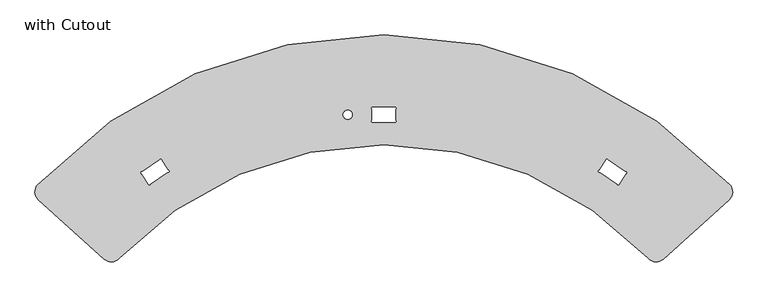
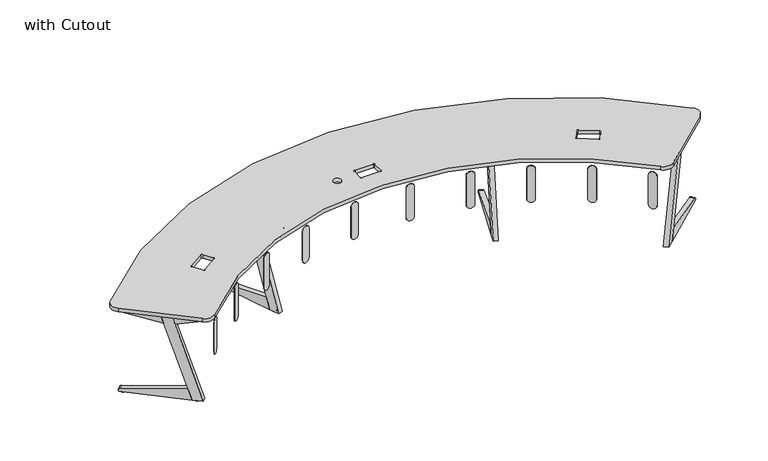
"""IFC4 building model written with IfcOpenShell, lengths in millimetres: furniture geometry, with Cutout."""

from ifc_helpers import new_model, si_unit, point, frame, frame_2d, origin, place, context, project, spatial, polyline, circle_curve, ellipse_curve, trimmed, segment, composite_curve, outline, extrude, source, transform, mapped, element, save
from ifc_brep_helpers import plane_surface, cylinder_surface, revolved_surface, advanced_brep


def with_cutout_aac19098(model_context):
    return source(origin(), model_context, "Body", "SolidModel", [
        extrude(outline(composite_curve([segment(polyline([(0.0, 63.5001021), (253.8508137, 63.5001021)]), True, "CONTINUOUS"), segment(trimmed(circle_curve(frame_2d((253.8508137, 31.750051)), 31.7500511), [point((253.8508137, 63.5001021))], [point((253.8508137, 0.0))], False, "CARTESIAN"), True, "CONTINUOUS"), segment(polyline([(253.8508137, 0.0), (0.0, 0.0)]), True, "CONTINUOUS"), segment(trimmed(circle_curve(frame_2d((0.0, 31.750051)), 31.7500511), [point((0.0, 0.0))], [point((0.0, 63.5001021))], False, "CARTESIAN"), True, "CONTINUOUS")], self_intersect=False)), frame((-258.9228453, -765.6330585, 399.2581955), z_axis=(-0.09624611509889833, 0.9953575665701093, 0.0), x_axis=(0.0, 0.0, 1.0)), (0.0, 0.0, 1.0), 2.8443472),
        extrude(outline(composite_curve([segment(polyline([(0.0, 63.5001021), (253.8508137, 63.5001021)]), True, "CONTINUOUS"), segment(trimmed(circle_curve(frame_2d((253.8508137, 31.750051)), 31.7500511), [point((253.8508137, 63.5001021))], [point((253.8508137, 0.0))], False, "CARTESIAN"), True, "CONTINUOUS"), segment(polyline([(253.8508137, 0.0), (0.0, 0.0)]), True, "CONTINUOUS"), segment(trimmed(circle_curve(frame_2d((0.0, 31.750051)), 31.7500511), [point((0.0, 0.0))], [point((0.0, 63.5001021))], False, "CARTESIAN"), True, "CONTINUOUS")], self_intersect=False)), frame((-703.3782644, -852.0656415, 399.2581955), z_axis=(-0.27282732829228007, 0.9620630171339591, 0.0), x_axis=(0.0, 0.0, 1.0)), (0.0, 0.0, 1.0), 2.8443472),
        extrude(outline(composite_curve([segment(polyline([(0.0, 63.5001021), (253.8508137, 63.5001021)]), True, "CONTINUOUS"), segment(trimmed(circle_curve(frame_2d((253.8508137, 31.7500511)), 31.7500511), [point((253.8508137, 63.5001021))], [point((253.8508137, 0.0))], False, "CARTESIAN"), True, "CONTINUOUS"), segment(polyline([(253.8508137, 0.0), (0.0, 0.0)]), True, "CONTINUOUS"), segment(trimmed(circle_curve(frame_2d((0.0, 31.7500511)), 31.7500511), [point((0.0, 0.0))], [point((0.0, 63.5001021))], False, "CARTESIAN"), True, "CONTINUOUS")], self_intersect=False)), frame((-1108.2540482, -1008.3670307, 399.2581955), z_axis=(-0.4335760728850068, 0.9011169674474093, 0.0), x_axis=(0.0, 0.0, 1.0)), (0.0, 0.0, 1.0), 2.8443472),
        extrude(outline(composite_curve([segment(polyline([(0.0, 63.5001022), (253.8508137, 63.5001022)]), True, "CONTINUOUS"), segment(trimmed(circle_curve(frame_2d((253.8508137, 31.7500511)), 31.7500511), [point((253.8508137, 63.5001022))], [point((253.8508137, 0.0))], False, "CARTESIAN"), True, "CONTINUOUS"), segment(polyline([(253.8508137, 0.0), (0.0, 0.0)]), True, "CONTINUOUS"), segment(trimmed(circle_curve(frame_2d((0.0, 31.7500511)), 31.7500511), [point((0.0, 0.0))], [point((0.0, 63.5001022))], False, "CARTESIAN"), True, "CONTINUOUS")], self_intersect=False)), frame((-1480.5374152, -1231.8220656, 399.2581955), z_axis=(-0.5815749360269656, 0.813492835730734, 0.0), x_axis=(0.0, 0.0, 1.0)), (0.0, 0.0, 1.0), 2.8443472),
        extrude(outline(composite_curve([segment(polyline([(0.0, 63.5001021), (253.8508137, 63.5001021)]), True, "CONTINUOUS"), segment(trimmed(circle_curve(frame_2d((253.8508137, 31.750051)), 31.7500511), [point((253.8508137, 63.5001021))], [point((253.8508137, 0.0))], False, "CARTESIAN"), True, "CONTINUOUS"), segment(polyline([(253.8508137, 0.0), (0.0, 0.0)]), True, "CONTINUOUS"), segment(trimmed(circle_curve(frame_2d((0.0, 31.750051)), 31.7500511), [point((0.0, 0.0))], [point((0.0, 63.5001021))], False, "CARTESIAN"), True, "CONTINUOUS")], self_intersect=False)), frame((-1808.9544749, -1515.6935441, 399.2581955), z_axis=(-0.7123421259189597, 0.7018323842921877, 0.0), x_axis=(0.0, 0.0, 1.0)), (0.0, 0.0, 1.0), 2.8443472),
        extrude(outline(composite_curve([segment(trimmed(circle_curve(frame_2d((0.0, -31.750051)), 31.7500511), [point((0.0, -63.5001021))], [point((0.0, 0.0))], False, "CARTESIAN"), True, "CONTINUOUS"), segment(polyline([(0.0, 0.0), (253.8508137, 0.0)]), True, "CONTINUOUS"), segment(trimmed(circle_curve(frame_2d((253.8508137, -31.750051)), 31.7500511), [point((253.8508137, 0.0))], [point((253.8508137, -63.5001021))], False, "CARTESIAN"), True, "CONTINUOUS"), segment(polyline([(253.8508137, -63.5001021), (0.0, -63.5001021)]), True, "CONTINUOUS")], self_intersect=False)), frame((258.9228453, -765.6330585, 399.2581955), z_axis=(0.09624611509889833, 0.9953575665701093, 0.0), x_axis=(0.0, 0.0, 1.0)), (0.0, 0.0, 1.0), 2.8443472),
        extrude(outline(composite_curve([segment(trimmed(circle_curve(frame_2d((0.0, -31.750051)), 31.7500511), [point((0.0, -63.5001021))], [point((0.0, 0.0))], False, "CARTESIAN"), True, "CONTINUOUS"), segment(polyline([(0.0, 0.0), (253.8508137, 0.0)]), True, "CONTINUOUS"), segment(trimmed(circle_curve(frame_2d((253.8508137, -31.750051)), 31.7500511), [point((253.8508137, 0.0))], [point((253.8508137, -63.5001021))], False, "CARTESIAN"), True, "CONTINUOUS"), segment(polyline([(253.8508137, -63.5001021), (0.0, -63.5001021)]), True, "CONTINUOUS")], self_intersect=False)), frame((703.3782644, -852.0656415, 399.2581955), z_axis=(0.27282732829228007, 0.9620630171339591, 0.0), x_axis=(0.0, 0.0, 1.0)), (0.0, 0.0, 1.0), 2.8443472),
        extrude(outline(composite_curve([segment(trimmed(circle_curve(frame_2d((0.0, -31.7500511)), 31.7500511), [point((0.0, -63.5001021))], [point((0.0, 0.0))], False, "CARTESIAN"), True, "CONTINUOUS"), segment(polyline([(0.0, 0.0), (253.8508137, 0.0)]), True, "CONTINUOUS"), segment(trimmed(circle_curve(frame_2d((253.8508137, -31.7500511)), 31.7500511), [point((253.8508137, 0.0))], [point((253.8508137, -63.5001021))], False, "CARTESIAN"), True, "CONTINUOUS"), segment(polyline([(253.8508137, -63.5001021), (0.0, -63.5001021)]), True, "CONTINUOUS")], self_intersect=False)), frame((1108.2540482, -1008.3670307, 399.2581955), z_axis=(0.4335760728850068, 0.9011169674474093, 0.0), x_axis=(0.0, 0.0, 1.0)), (0.0, 0.0, 1.0), 2.8443472),
        extrude(outline(composite_curve([segment(trimmed(circle_curve(frame_2d((0.0, -31.7500511)), 31.7500511), [point((0.0, -63.5001022))], [point((0.0, 0.0))], False, "CARTESIAN"), True, "CONTINUOUS"), segment(polyline([(0.0, 0.0), (253.8508137, 0.0)]), True, "CONTINUOUS"), segment(trimmed(circle_curve(frame_2d((253.8508137, -31.7500511)), 31.7500511), [point((253.8508137, 0.0))], [point((253.8508137, -63.5001022))], False, "CARTESIAN"), True, "CONTINUOUS"), segment(polyline([(253.8508137, -63.5001022), (0.0, -63.5001022)]), True, "CONTINUOUS")], self_intersect=False)), frame((1480.5374152, -1231.8220656, 399.2581955), z_axis=(0.5815749360269656, 0.813492835730734, 0.0), x_axis=(0.0, 0.0, 1.0)), (0.0, 0.0, 1.0), 2.8443472),
        extrude(outline(composite_curve([segment(trimmed(circle_curve(frame_2d((0.0, -31.750051)), 31.7500511), [point((0.0, -63.5001021))], [point((0.0, 0.0))], False, "CARTESIAN"), True, "CONTINUOUS"), segment(polyline([(0.0, 0.0), (253.8508137, 0.0)]), True, "CONTINUOUS"), segment(trimmed(circle_curve(frame_2d((253.8508137, -31.750051)), 31.7500511), [point((253.8508137, 0.0))], [point((253.8508137, -63.5001021))], False, "CARTESIAN"), True, "CONTINUOUS"), segment(polyline([(253.8508137, -63.5001021), (0.0, -63.5001021)]), True, "CONTINUOUS")], self_intersect=False)), frame((1808.9544749, -1515.6935441, 399.2581955), z_axis=(0.7123421259189597, 0.7018323842921877, 0.0), x_axis=(0.0, 0.0, 1.0)), (0.0, 0.0, 1.0), 2.8443472),
        extrude(outline(composite_curve([segment(trimmed(circle_curve(frame_2d((915.493418, -844.6451583)), 10.16), [point((925.0388742, -848.1250815))], [point((912.0134948, -854.1906146))], False, "CARTESIAN"), True, "CONTINUOUS"), segment(polyline([(912.0134948, -854.1906146), (847.5815741, -830.7011003)]), True, "CONTINUOUS"), segment(trimmed(circle_curve(frame_2d((851.0614972, -821.1556441)), 10.16), [point((847.5815741, -830.7011003))], [point((841.516041, -817.675721))], False, "CARTESIAN"), True, "CONTINUOUS"), segment(polyline([(841.516041, -817.675721), (1040.0634673, -273.0585828)]), True, "CONTINUOUS"), segment(trimmed(circle_curve(frame_2d((1049.6089235, -276.5385059)), 10.16), [point((1040.0634673, -273.0585828))], [point((1053.0888467, -266.9930496))], False, "CARTESIAN"), True, "CONTINUOUS"), segment(polyline([(1053.0888467, -266.9930496), (1117.5207674, -290.4825639)]), True, "CONTINUOUS"), segment(trimmed(circle_curve(frame_2d((1114.0408443, -300.0280202)), 10.16), [point((1117.5207674, -290.4825639))], [point((1123.5863005, -303.5079433))], False, "CARTESIAN"), True, "CONTINUOUS"), segment(polyline([(1123.5863005, -303.5079433), (925.0388742, -848.1250815)]), True, "CONTINUOUS")], self_intersect=False)), frame((0.0, 0.0, 714.3857946), z_axis=(0.0, 0.0, 1.0), x_axis=(1.0, 0.0, 0.0)), (0.0, 0.0, 1.0), 4.617167),
        advanced_brep(
        [(1075.6368974, -305.2569583, 1.2928006), (1080.6597202, -291.4793162, 0.0), (1085.682543, -277.7016741, 1.2928006), (1075.6368974, -305.2569583, 8.0264498), (1085.682543, -277.7016741, 8.0264498), (1080.6597202, -291.4793162, 8.0264498)],
        [
            (0, 1, circle_curve(frame((1080.1654103, -292.8352121, 67.4488203), z_axis=(0.9395134106547864, -0.34251211832548456, 0.0), x_axis=(-0.34251211832548456, -0.9395134106547864, 0.0)), 67.4642584)),
            (1, 2, circle_curve(frame((1081.1540301, -290.1234203, 67.4488203), z_axis=(0.9395134106547853, -0.3425121183254876, 0.0), x_axis=(0.3425121183254876, 0.9395134106547853, 0.0)), 67.4642584)),
            (2, 0, circle_curve(frame((1080.6597202, -291.4793162, 1.2928006), z_axis=(0.0, 0.0, -1.0), x_axis=(0.3425121183254876, 0.9395134106547853, 0.0)), 14.6646572)),
            (0, 2, circle_curve(frame((1080.6597202, -291.4793162, 1.2928006), z_axis=(0.0, 0.0, -1.0), x_axis=(0.3425121183254876, 0.9395134106547853, 0.0)), 14.6646572)),
            (3, 0),
            (2, 4),
            (4, 3, circle_curve(frame((1080.6597202, -291.4793162, 8.0264498), z_axis=(0.0, 0.0, -1.0), x_axis=(0.3425121183254876, 0.9395134106547853, 0.0)), 14.6646572)),
            (3, 4, circle_curve(frame((1080.6597202, -291.4793162, 8.0264498), z_axis=(0.0, 0.0, -1.0), x_axis=(0.3425121183254876, 0.9395134106547853, 0.0)), 14.6646572)),
            (5, 3),
            (4, 5),
        ],
        [
            revolved_surface(trimmed(ellipse_curve(frame((1081.1540301, -290.1234203, 67.4488203), z_axis=(0.9395134106547853, -0.3425121183254876, 0.0), x_axis=(0.3425121183254876, 0.9395134106547853, 0.0)), 67.4642584, 67.4642584), [point((1080.6597202, -291.4793162, 0.0))], [point((1085.682543, -277.7016741, 1.2928006))], True, "CARTESIAN"), (1080.6597202, -291.4793162, -6.2719709), (0.0, 0.0, 1.0)),
            cylinder_surface(frame((1080.6597202, -291.4793162, -6.2719709), z_axis=(0.0, 0.0, 1.0), x_axis=(0.3425121183254876, 0.9395134106547853, 0.0)), 14.6646572),
            plane_surface(frame((1080.6597202, -291.4793162, 8.0264498), z_axis=(0.0, 0.0, 1.0), x_axis=(0.3425121183254876, 0.9395134106547853, 0.0))),
        ],
        [
            (0, [[1, 2, 3]]),
            (0, [[-2, -1, 4]]),
            (1, [[5, -3, 6, 7]]),
            (1, [[-6, -4, -5, 8]]),
            (2, [[9, -7, 10]]),
            (2, [[-10, -8, -9]]),
        ],
    ),
        advanced_brep(
        [(892.6711967, -807.1333015, 1.2928006), (897.6940195, -793.3556594, 0.0), (902.7168424, -779.5780173, 1.2928006), (892.6711967, -807.1333015, 8.0264498), (902.7168424, -779.5780173, 8.0264498), (897.6940195, -793.3556594, 8.0264498)],
        [
            (0, 1, circle_curve(frame((897.1997096, -794.7115553, 67.4488203), z_axis=(0.9395134106547864, -0.34251211832548456, 0.0), x_axis=(-0.34251211832548456, -0.9395134106547864, 0.0)), 67.4642584)),
            (1, 2, circle_curve(frame((898.1883294, -791.9997635, 67.4488203), z_axis=(0.9395134106547853, -0.3425121183254876, 0.0), x_axis=(0.3425121183254876, 0.9395134106547853, 0.0)), 67.4642584)),
            (2, 0, circle_curve(frame((897.6940195, -793.3556594, 1.2928006), z_axis=(0.0, 0.0, -1.0), x_axis=(0.3425121183254876, 0.9395134106547853, 0.0)), 14.6646572)),
            (0, 2, circle_curve(frame((897.6940195, -793.3556594, 1.2928006), z_axis=(0.0, 0.0, -1.0), x_axis=(0.3425121183254876, 0.9395134106547853, 0.0)), 14.6646572)),
            (3, 0),
            (2, 4),
            (4, 3, circle_curve(frame((897.6940195, -793.3556594, 8.0264498), z_axis=(0.0, 0.0, -1.0), x_axis=(0.3425121183254876, 0.9395134106547853, 0.0)), 14.6646572)),
            (3, 4, circle_curve(frame((897.6940195, -793.3556594, 8.0264498), z_axis=(0.0, 0.0, -1.0), x_axis=(0.3425121183254876, 0.9395134106547853, 0.0)), 14.6646572)),
            (5, 3),
            (4, 5),
        ],
        [
            revolved_surface(trimmed(ellipse_curve(frame((898.1883294, -791.9997635, 67.4488203), z_axis=(0.9395134106547853, -0.3425121183254876, 0.0), x_axis=(0.3425121183254876, 0.9395134106547853, 0.0)), 67.4642584, 67.4642584), [point((897.6940195, -793.3556594, 0.0))], [point((902.7168424, -779.5780173, 1.2928006))], True, "CARTESIAN"), (897.6940195, -793.3556594, -6.2719709), (0.0, 0.0, 1.0)),
            cylinder_surface(frame((897.6940195, -793.3556594, -6.2719709), z_axis=(0.0, 0.0, 1.0), x_axis=(0.3425121183254876, 0.9395134106547853, 0.0)), 14.6646572),
            plane_surface(frame((897.6940195, -793.3556594, 8.0264498), z_axis=(0.0, 0.0, 1.0), x_axis=(0.3425121183254876, 0.9395134106547853, 0.0))),
        ],
        [
            (0, [[1, 2, 3]]),
            (0, [[-2, -1, 4]]),
            (1, [[5, -3, 6, 7]]),
            (1, [[-6, -4, -5, 8]]),
            (2, [[9, -7, 10]]),
            (2, [[-10, -8, -9]]),
        ],
    ),
        extrude(outline(polyline([(717.5896606, 0.0), (-29.9752849, 0.0), (-5.2164508, 76.1998551), (742.3485181, 76.199927), (717.5896606, 0.0)])), frame((1001.4400847, -564.3978639, 690.4947716), z_axis=(-0.9395134106547853, 0.3425121183254876, 0.0), x_axis=(-0.10584206672722973, -0.29032561413540037, -0.9510565149810033)), (0.0, 0.0, 1.0), 38.1),
        extrude(outline(composite_curve([segment(polyline([(-0.2399851, 0.0), (-10.2900181, -1e-07)]), True, "CONTINUOUS"), segment(trimmed(circle_curve(frame_2d((-10.2900181, 14.7902478)), 14.7902478), [point((-10.2900181, -1e-07))], [point((-25.0802659, 14.7899594))], False, "CARTESIAN"), True, "CONTINUOUS"), segment(polyline([(-25.0802659, 14.7899594), (-25.0899523, 511.5064728), (70.404603, 529.0225355), (-0.2399851, 0.0)]), True, "CONTINUOUS")], self_intersect=False)), frame((1108.2831059, -271.3266239, 7.7885763), z_axis=(-0.9395134106547853, 0.3425121183254876, 0.0), x_axis=(-0.045335930450949274, -0.12435681064783989, -0.9912013100554519)), (0.0, 0.0, 1.0), 38.1),
        extrude(outline(polyline([(-680.1795134, 107.3080746), (-702.7947052, 110.3280611), (-664.8934595, 394.1518278), (-584.7785833, 408.8467528), (-680.1795134, 107.3080746)])), frame((1108.2831059, -271.3266239, 7.7885763), z_axis=(-0.9395134106547853, 0.3425121183254876, 0.0), x_axis=(-0.045335930450949274, -0.12435681064783989, -0.9912013100554519)), (0.0, 0.0, 1.0), 38.1),
        extrude(outline(polyline([(-605.9163988, 699.831677), (-578.3619389, 487.4947721), (-654.2883701, 473.5681207), (-623.7554839, 702.213872), (-605.9163988, 699.831677)])), frame((1108.2831059, -271.3266239, 7.7885763), z_axis=(-0.9395134106547853, 0.3425121183254876, 0.0), x_axis=(-0.045335930450949274, -0.12435681064783989, -0.9912013100554519)), (0.0, 0.0, 1.0), 38.1),
        extrude(outline(composite_curve([segment(trimmed(circle_curve(frame_2d((1917.2034152, -1525.0285351)), 10.16), [point((1923.9899137, -1532.589556))], [point((1909.6423942, -1531.8150336))], False, "CARTESIAN"), True, "CONTINUOUS"), segment(polyline([(1909.6423942, -1531.8150336), (1863.8334645, -1480.77807)]), True, "CONTINUOUS"), segment(trimmed(circle_curve(frame_2d((1871.3944855, -1473.9915715)), 10.16), [point((1863.8334645, -1480.77807))], [point((1864.607987, -1466.4305506))], False, "CARTESIAN"), True, "CONTINUOUS"), segment(polyline([(1864.607987, -1466.4305506), (2296.0029341, -1079.2260732)]), True, "CONTINUOUS"), segment(trimmed(circle_curve(frame_2d((2302.7894327, -1086.7870942)), 10.16), [point((2296.0029341, -1079.2260732))], [point((2310.3504536, -1080.0005957))], False, "CARTESIAN"), True, "CONTINUOUS"), segment(polyline([(2310.3504536, -1080.0005957), (2356.1593833, -1131.0375592)]), True, "CONTINUOUS"), segment(trimmed(circle_curve(frame_2d((2348.5983624, -1137.8240578)), 10.16), [point((2356.1593833, -1131.0375592))], [point((2355.3848609, -1145.3850787))], False, "CARTESIAN"), True, "CONTINUOUS"), segment(polyline([(2355.3848609, -1145.3850787), (1923.9899137, -1532.589556)]), True, "CONTINUOUS")], self_intersect=False)), frame((0.0, 0.0, 714.3857946), z_axis=(0.0, 0.0, 1.0), x_axis=(1.0, 0.0, 0.0)), (0.0, 0.0, 1.0), 4.617167),
        advanced_brep(
        [(2312.2489178, -1124.3733028, 1.2928006), (2323.162282, -1114.5778624, 0.0), (2334.0756462, -1104.782422, 1.2928006), (2312.2489178, -1124.3733028, 8.0264498), (2334.0756462, -1104.782422, 8.0264498), (2323.162282, -1114.5778624, 8.0264498)],
        [
            (0, 1, circle_curve(frame((2322.0882676, -1115.5418588, 67.4488203), z_axis=(0.6679624521701406, -0.7441949761257817, 0.0), x_axis=(-0.7441949761257817, -0.6679624521701406, 0.0)), 67.4642584)),
            (1, 2, circle_curve(frame((2324.2362964, -1113.6138659, 67.4488203), z_axis=(0.6679624521701382, -0.7441949761257838, 0.0), x_axis=(0.7441949761257838, 0.6679624521701382, 0.0)), 67.4642584)),
            (2, 0, circle_curve(frame((2323.162282, -1114.5778624, 1.2928006), z_axis=(0.0, 0.0, -1.0), x_axis=(0.7441949761257838, 0.6679624521701382, 0.0)), 14.6646572)),
            (0, 2, circle_curve(frame((2323.162282, -1114.5778624, 1.2928006), z_axis=(0.0, 0.0, -1.0), x_axis=(0.7441949761257838, 0.6679624521701382, 0.0)), 14.6646572)),
            (3, 0),
            (2, 4),
            (4, 3, circle_curve(frame((2323.162282, -1114.5778624, 8.0264498), z_axis=(0.0, 0.0, -1.0), x_axis=(0.7441949761257838, 0.6679624521701382, 0.0)), 14.6646572)),
            (3, 4, circle_curve(frame((2323.162282, -1114.5778624, 8.0264498), z_axis=(0.0, 0.0, -1.0), x_axis=(0.7441949761257838, 0.6679624521701382, 0.0)), 14.6646572)),
            (5, 3),
            (4, 5),
        ],
        [
            revolved_surface(trimmed(ellipse_curve(frame((2324.2362964, -1113.6138659, 67.4488203), z_axis=(0.6679624521701382, -0.7441949761257838, 0.0), x_axis=(0.7441949761257838, 0.6679624521701382, 0.0)), 67.4642584, 67.4642584), [point((2323.162282, -1114.5778624, 0.0))], [point((2334.0756462, -1104.782422, 1.2928006))], True, "CARTESIAN"), (2323.162282, -1114.5778624, -6.2719709), (0.0, 0.0, 1.0)),
            cylinder_surface(frame((2323.162282, -1114.5778624, -6.2719709), z_axis=(0.0, 0.0, 1.0), x_axis=(0.7441949761257838, 0.6679624521701382, 0.0)), 14.6646572),
            plane_surface(frame((2323.162282, -1114.5778624, 8.0264498), z_axis=(0.0, 0.0, 1.0), x_axis=(0.7441949761257838, 0.6679624521701382, 0.0))),
        ],
        [
            (0, [[1, 2, 3]]),
            (0, [[-2, -1, 4]]),
            (1, [[5, -3, 6, 7]]),
            (1, [[-6, -4, -5, 8]]),
            (2, [[9, -7, 10]]),
            (2, [[-10, -8, -9]]),
        ],
    ),
        advanced_brep(
        [(1914.7092456, -1481.1905116, 1.2928006), (1925.6226099, -1471.3950712, 0.0), (1936.5359741, -1461.5996308, 1.2928006), (1914.7092456, -1481.1905116, 8.0264498), (1936.5359741, -1461.5996308, 8.0264498), (1925.6226099, -1471.3950712, 8.0264498)],
        [
            (0, 1, circle_curve(frame((1924.5485955, -1472.3590676, 67.4488203), z_axis=(0.6679624521701406, -0.7441949761257817, 0.0), x_axis=(-0.7441949761257817, -0.6679624521701406, 0.0)), 67.4642584)),
            (1, 2, circle_curve(frame((1926.6966243, -1470.4310748, 67.4488203), z_axis=(0.6679624521701382, -0.7441949761257838, 0.0), x_axis=(0.7441949761257838, 0.6679624521701382, 0.0)), 67.4642584)),
            (2, 0, circle_curve(frame((1925.6226099, -1471.3950712, 1.2928006), z_axis=(0.0, 0.0, -1.0), x_axis=(0.7441949761257838, 0.6679624521701382, 0.0)), 14.6646572)),
            (0, 2, circle_curve(frame((1925.6226099, -1471.3950712, 1.2928006), z_axis=(0.0, 0.0, -1.0), x_axis=(0.7441949761257838, 0.6679624521701382, 0.0)), 14.6646572)),
            (3, 0),
            (2, 4),
            (4, 3, circle_curve(frame((1925.6226099, -1471.3950712, 8.0264498), z_axis=(0.0, 0.0, -1.0), x_axis=(0.7441949761257838, 0.6679624521701382, 0.0)), 14.6646572)),
            (3, 4, circle_curve(frame((1925.6226099, -1471.3950712, 8.0264498), z_axis=(0.0, 0.0, -1.0), x_axis=(0.7441949761257838, 0.6679624521701382, 0.0)), 14.6646572)),
            (5, 3),
            (4, 5),
        ],
        [
            revolved_surface(trimmed(ellipse_curve(frame((1926.6966243, -1470.4310748, 67.4488203), z_axis=(0.6679624521701382, -0.7441949761257838, 0.0), x_axis=(0.7441949761257838, 0.6679624521701382, 0.0)), 67.4642584, 67.4642584), [point((1925.6226099, -1471.3950712, 0.0))], [point((1936.5359741, -1461.5996308, 1.2928006))], True, "CARTESIAN"), (1925.6226099, -1471.3950712, -6.2719709), (0.0, 0.0, 1.0)),
            cylinder_surface(frame((1925.6226099, -1471.3950712, -6.2719709), z_axis=(0.0, 0.0, 1.0), x_axis=(0.7441949761257838, 0.6679624521701382, 0.0)), 14.6646572),
            plane_surface(frame((1925.6226099, -1471.3950712, 8.0264498), z_axis=(0.0, 0.0, 1.0), x_axis=(0.7441949761257838, 0.6679624521701382, 0.0))),
        ],
        [
            (0, [[1, 2, 3]]),
            (0, [[-2, -1, 4]]),
            (1, [[5, -3, 6, 7]]),
            (1, [[-6, -4, -5, 8]]),
            (2, [[9, -7, 10]]),
            (2, [[-10, -8, -9]]),
        ],
    ),
        extrude(outline(polyline([(717.5896606, 0.0), (-29.9752849, -1e-07), (-5.2164508, 76.1998551), (742.3485181, 76.199927), (717.5896606, 0.0)])), frame((2124.8747077, -1318.1517364, 690.4947716), z_axis=(-0.6679624521701383, 0.7441949761257838, 0.0), x_axis=(-0.22996889776124213, -0.20641175202654552, -0.9510565149810033)), (0.0, 0.0, 1.0), 38.1),
        extrude(outline(composite_curve([segment(polyline([(-0.2399851, 0.0), (-10.2900181, -1e-07)]), True, "CONTINUOUS"), segment(trimmed(circle_curve(frame_2d((-10.2900181, 14.7902478)), 14.7902478), [point((-10.2900181, -1e-07))], [point((-25.0802659, 14.7899594))], False, "CARTESIAN"), True, "CONTINUOUS"), segment(polyline([(-25.0802659, 14.7899594), (-25.0899523, 511.5064729), (70.404603, 529.0225355), (-0.2399851, 0.0)]), True, "CONTINUOUS")], self_intersect=False)), frame((2357.0184345, -1109.7879367, 7.7885763), z_axis=(-0.6679624521701382, 0.7441949761257839, 0.0), x_axis=(-0.09850387730669734, -0.08841351197584638, -0.9912013100554519)), (0.0, 0.0, 1.0), 38.1),
        extrude(outline(polyline([(-680.1795134, 107.3080747), (-702.7947052, 110.3280611), (-664.8934595, 394.1518278), (-584.7785833, 408.8467529), (-680.1795134, 107.3080747)])), frame((2357.0184345, -1109.7879367, 7.7885763), z_axis=(-0.6679624521701382, 0.7441949761257839, 0.0), x_axis=(-0.09850387730669734, -0.08841351197584638, -0.9912013100554519)), (0.0, 0.0, 1.0), 38.1),
        extrude(outline(polyline([(-605.9163988, 699.8316771), (-578.3619389, 487.4947721), (-654.2883701, 473.5681208), (-623.7554839, 702.213872), (-605.9163988, 699.8316771)])), frame((2357.0184345, -1109.7879367, 7.7885763), z_axis=(-0.6679624521701382, 0.7441949761257839, 0.0), x_axis=(-0.09850387730669734, -0.08841351197584638, -0.9912013100554519)), (0.0, 0.0, 1.0), 38.1),
        extrude(outline(composite_curve([segment(polyline([(-1923.9899137, -1532.589556), (-2355.3848609, -1145.3850787)]), True, "CONTINUOUS"), segment(trimmed(circle_curve(frame_2d((-2348.5983624, -1137.8240578)), 10.16), [point((-2355.3848609, -1145.3850787))], [point((-2356.1593833, -1131.0375592))], False, "CARTESIAN"), True, "CONTINUOUS"), segment(polyline([(-2356.1593833, -1131.0375592), (-2310.3504536, -1080.0005957)]), True, "CONTINUOUS"), segment(trimmed(circle_curve(frame_2d((-2302.7894327, -1086.7870942)), 10.16), [point((-2310.3504536, -1080.0005957))], [point((-2296.0029341, -1079.2260732))], False, "CARTESIAN"), True, "CONTINUOUS"), segment(polyline([(-2296.0029341, -1079.2260732), (-1864.607987, -1466.4305506)]), True, "CONTINUOUS"), segment(trimmed(circle_curve(frame_2d((-1871.3944855, -1473.9915715)), 10.16), [point((-1864.607987, -1466.4305506))], [point((-1863.8334645, -1480.77807))], False, "CARTESIAN"), True, "CONTINUOUS"), segment(polyline([(-1863.8334645, -1480.77807), (-1909.6423942, -1531.8150336)]), True, "CONTINUOUS"), segment(trimmed(circle_curve(frame_2d((-1917.2034152, -1525.0285351)), 10.16), [point((-1909.6423942, -1531.8150336))], [point((-1923.9899137, -1532.589556))], False, "CARTESIAN"), True, "CONTINUOUS")], self_intersect=False)), frame((0.0, 0.0, 714.3857946), z_axis=(0.0, 0.0, 1.0), x_axis=(1.0, 0.0, 0.0)), (0.0, 0.0, 1.0), 4.617167),
        advanced_brep(
        [(-2312.2489178, -1124.3733028, 1.2928006), (-2334.0756462, -1104.782422, 1.2928006), (-2323.162282, -1114.5778624, 0.0), (-2312.2489178, -1124.3733028, 8.0264498), (-2334.0756462, -1104.782422, 8.0264498), (-2323.162282, -1114.5778624, 8.0264498)],
        [
            (0, 1, circle_curve(frame((-2323.162282, -1114.5778624, 1.2928006), z_axis=(0.0, 0.0, -1.0), x_axis=(-0.7441949761257838, 0.6679624521701382, 0.0)), 14.6646572)),
            (1, 2, circle_curve(frame((-2324.2362964, -1113.6138659, 67.4488203), z_axis=(-0.6679624521701382, -0.7441949761257838, 0.0), x_axis=(-0.7441949761257838, 0.6679624521701382, 0.0)), 67.4642584)),
            (2, 0, circle_curve(frame((-2322.0882676, -1115.5418588, 67.4488203), z_axis=(-0.6679624521701406, -0.7441949761257817, 0.0), x_axis=(0.7441949761257817, -0.6679624521701406, 0.0)), 67.4642584)),
            (1, 0, circle_curve(frame((-2323.162282, -1114.5778624, 1.2928006), z_axis=(0.0, 0.0, -1.0), x_axis=(-0.7441949761257838, 0.6679624521701382, 0.0)), 14.6646572)),
            (3, 4, circle_curve(frame((-2323.162282, -1114.5778624, 8.0264498), z_axis=(0.0, 0.0, -1.0), x_axis=(-0.7441949761257838, 0.6679624521701382, 0.0)), 14.6646572)),
            (4, 1),
            (0, 3),
            (4, 3, circle_curve(frame((-2323.162282, -1114.5778624, 8.0264498), z_axis=(0.0, 0.0, -1.0), x_axis=(-0.7441949761257838, 0.6679624521701382, 0.0)), 14.6646572)),
            (5, 4),
            (3, 5),
        ],
        [
            revolved_surface(trimmed(ellipse_curve(frame((-2324.2362964, -1113.6138659, 67.4488203), z_axis=(0.6679624521701382, 0.7441949761257838, 0.0), x_axis=(-0.7441949761257838, 0.6679624521701382, 0.0)), 67.4642584, 67.4642584), [point((-2323.162282, -1114.5778624, 0.0))], [point((-2334.0756462, -1104.782422, 1.2928006))], True, "CARTESIAN"), (-2323.162282, -1114.5778624, -6.2719709), (0.0, 0.0, 1.0)),
            cylinder_surface(frame((-2323.162282, -1114.5778624, -6.2719709), z_axis=(0.0, 0.0, 1.0), x_axis=(-0.7441949761257838, 0.6679624521701382, 0.0)), 14.6646572),
            plane_surface(frame((-2323.162282, -1114.5778624, 8.0264498), z_axis=(0.0, 0.0, 1.0), x_axis=(-0.7441949761257838, 0.6679624521701382, 0.0))),
        ],
        [
            (0, [[1, 2, 3]]),
            (0, [[4, -3, -2]]),
            (1, [[5, 6, -1, 7]]),
            (1, [[8, -7, -4, -6]]),
            (2, [[9, -5, 10]]),
            (2, [[-10, -8, -9]]),
        ],
    ),
        advanced_brep(
        [(-1914.7092456, -1481.1905116, 1.2928006), (-1936.5359741, -1461.5996308, 1.2928006), (-1925.6226099, -1471.3950712, 0.0), (-1914.7092456, -1481.1905116, 8.0264498), (-1936.5359741, -1461.5996308, 8.0264498), (-1925.6226099, -1471.3950712, 8.0264498)],
        [
            (0, 1, circle_curve(frame((-1925.6226099, -1471.3950712, 1.2928006), z_axis=(0.0, 0.0, -1.0), x_axis=(-0.7441949761257838, 0.6679624521701382, 0.0)), 14.6646572)),
            (1, 2, circle_curve(frame((-1926.6966243, -1470.4310748, 67.4488203), z_axis=(-0.6679624521701382, -0.7441949761257838, 0.0), x_axis=(-0.7441949761257838, 0.6679624521701382, 0.0)), 67.4642584)),
            (2, 0, circle_curve(frame((-1924.5485955, -1472.3590676, 67.4488203), z_axis=(-0.6679624521701406, -0.7441949761257817, 0.0), x_axis=(0.7441949761257817, -0.6679624521701406, 0.0)), 67.4642584)),
            (1, 0, circle_curve(frame((-1925.6226099, -1471.3950712, 1.2928006), z_axis=(0.0, 0.0, -1.0), x_axis=(-0.7441949761257838, 0.6679624521701382, 0.0)), 14.6646572)),
            (3, 4, circle_curve(frame((-1925.6226099, -1471.3950712, 8.0264498), z_axis=(0.0, 0.0, -1.0), x_axis=(-0.7441949761257838, 0.6679624521701382, 0.0)), 14.6646572)),
            (4, 1),
            (0, 3),
            (4, 3, circle_curve(frame((-1925.6226099, -1471.3950712, 8.0264498), z_axis=(0.0, 0.0, -1.0), x_axis=(-0.7441949761257838, 0.6679624521701382, 0.0)), 14.6646572)),
            (5, 4),
            (3, 5),
        ],
        [
            revolved_surface(trimmed(ellipse_curve(frame((-1926.6966243, -1470.4310748, 67.4488203), z_axis=(0.6679624521701382, 0.7441949761257838, 0.0), x_axis=(-0.7441949761257838, 0.6679624521701382, 0.0)), 67.4642584, 67.4642584), [point((-1925.6226099, -1471.3950712, 0.0))], [point((-1936.5359741, -1461.5996308, 1.2928006))], True, "CARTESIAN"), (-1925.6226099, -1471.3950712, -6.2719709), (0.0, 0.0, 1.0)),
            cylinder_surface(frame((-1925.6226099, -1471.3950712, -6.2719709), z_axis=(0.0, 0.0, 1.0), x_axis=(-0.7441949761257838, 0.6679624521701382, 0.0)), 14.6646572),
            plane_surface(frame((-1925.6226099, -1471.3950712, 8.0264498), z_axis=(0.0, 0.0, 1.0), x_axis=(-0.7441949761257838, 0.6679624521701382, 0.0))),
        ],
        [
            (0, [[1, 2, 3]]),
            (0, [[4, -3, -2]]),
            (1, [[5, 6, -1, 7]]),
            (1, [[8, -7, -4, -6]]),
            (2, [[9, -5, 10]]),
            (2, [[-10, -8, -9]]),
        ],
    ),
        extrude(outline(polyline([(717.5896606, 0.0), (742.3485181, -76.199927), (-5.2164508, -76.1998551), (-29.9752849, 1e-07), (717.5896606, 0.0)])), frame((-2124.8747077, -1318.1517364, 690.4947716), z_axis=(0.6679624521701383, 0.7441949761257838, 0.0), x_axis=(0.22996889776124213, -0.20641175202654552, -0.9510565149810033)), (0.0, 0.0, 1.0), 38.1),
        extrude(outline(composite_curve([segment(polyline([(-0.2399851, 0.0), (70.404603, -529.0225355), (-25.0899523, -511.5064729), (-25.0802659, -14.7899594)]), True, "CONTINUOUS"), segment(trimmed(circle_curve(frame_2d((-10.2900181, -14.7902478)), 14.7902478), [point((-25.0802659, -14.7899594))], [point((-10.2900181, 1e-07))], False, "CARTESIAN"), True, "CONTINUOUS"), segment(polyline([(-10.2900181, 1e-07), (-0.2399851, 0.0)]), True, "CONTINUOUS")], self_intersect=False)), frame((-2357.0184345, -1109.7879367, 7.7885763), z_axis=(0.6679624521701382, 0.7441949761257839, 0.0), x_axis=(0.09850387730669734, -0.08841351197584638, -0.9912013100554519)), (0.0, 0.0, 1.0), 38.1),
        extrude(outline(polyline([(-680.1795134, -107.3080747), (-584.7785833, -408.8467529), (-664.8934595, -394.1518278), (-702.7947052, -110.3280611), (-680.1795134, -107.3080747)])), frame((-2357.0184345, -1109.7879367, 7.7885763), z_axis=(0.6679624521701382, 0.7441949761257839, 0.0), x_axis=(0.09850387730669734, -0.08841351197584638, -0.9912013100554519)), (0.0, 0.0, 1.0), 38.1),
        extrude(outline(polyline([(-605.9163988, -699.8316771), (-623.7554839, -702.213872), (-654.2883701, -473.5681208), (-578.3619389, -487.4947721), (-605.9163988, -699.8316771)])), frame((-2357.0184345, -1109.7879367, 7.7885763), z_axis=(0.6679624521701382, 0.7441949761257839, 0.0), x_axis=(0.09850387730669734, -0.08841351197584638, -0.9912013100554519)), (0.0, 0.0, 1.0), 38.1),
        extrude(outline(composite_curve([segment(polyline([(-925.0388742, -848.1250815), (-1123.5863005, -303.5079433)]), True, "CONTINUOUS"), segment(trimmed(circle_curve(frame_2d((-1114.0408443, -300.0280202)), 10.16), [point((-1123.5863005, -303.5079433))], [point((-1117.5207674, -290.4825639))], False, "CARTESIAN"), True, "CONTINUOUS"), segment(polyline([(-1117.5207674, -290.4825639), (-1053.0888467, -266.9930496)]), True, "CONTINUOUS"), segment(trimmed(circle_curve(frame_2d((-1049.6089235, -276.5385059)), 10.16), [point((-1053.0888467, -266.9930496))], [point((-1040.0634673, -273.0585828))], False, "CARTESIAN"), True, "CONTINUOUS"), segment(polyline([(-1040.0634673, -273.0585828), (-841.516041, -817.675721)]), True, "CONTINUOUS"), segment(trimmed(circle_curve(frame_2d((-851.0614972, -821.1556441)), 10.16), [point((-841.516041, -817.675721))], [point((-847.5815741, -830.7011003))], False, "CARTESIAN"), True, "CONTINUOUS"), segment(polyline([(-847.5815741, -830.7011003), (-912.0134948, -854.1906146)]), True, "CONTINUOUS"), segment(trimmed(circle_curve(frame_2d((-915.493418, -844.6451583)), 10.16), [point((-912.0134948, -854.1906146))], [point((-925.0388742, -848.1250815))], False, "CARTESIAN"), True, "CONTINUOUS")], self_intersect=False)), frame((0.0, 0.0, 714.3857946), z_axis=(0.0, 0.0, 1.0), x_axis=(1.0, 0.0, 0.0)), (0.0, 0.0, 1.0), 4.617167),
        advanced_brep(
        [(-1075.6368974, -305.2569583, 1.2928006), (-1085.682543, -277.7016741, 1.2928006), (-1080.6597202, -291.4793162, 0.0), (-1075.6368974, -305.2569583, 8.0264498), (-1085.682543, -277.7016741, 8.0264498), (-1080.6597202, -291.4793162, 8.0264498)],
        [
            (0, 1, circle_curve(frame((-1080.6597202, -291.4793162, 1.2928006), z_axis=(0.0, 0.0, -1.0), x_axis=(-0.3425121183254876, 0.9395134106547853, 0.0)), 14.6646572)),
            (1, 2, circle_curve(frame((-1081.1540301, -290.1234203, 67.4488203), z_axis=(-0.9395134106547853, -0.3425121183254876, 0.0), x_axis=(-0.3425121183254876, 0.9395134106547853, 0.0)), 67.4642584)),
            (2, 0, circle_curve(frame((-1080.1654103, -292.8352121, 67.4488203), z_axis=(-0.9395134106547864, -0.34251211832548456, 0.0), x_axis=(0.34251211832548456, -0.9395134106547864, 0.0)), 67.4642584)),
            (1, 0, circle_curve(frame((-1080.6597202, -291.4793162, 1.2928006), z_axis=(0.0, 0.0, -1.0), x_axis=(-0.3425121183254876, 0.9395134106547853, 0.0)), 14.6646572)),
            (3, 4, circle_curve(frame((-1080.6597202, -291.4793162, 8.0264498), z_axis=(0.0, 0.0, -1.0), x_axis=(-0.3425121183254876, 0.9395134106547853, 0.0)), 14.6646572)),
            (4, 1),
            (0, 3),
            (4, 3, circle_curve(frame((-1080.6597202, -291.4793162, 8.0264498), z_axis=(0.0, 0.0, -1.0), x_axis=(-0.3425121183254876, 0.9395134106547853, 0.0)), 14.6646572)),
            (5, 4),
            (3, 5),
        ],
        [
            revolved_surface(trimmed(ellipse_curve(frame((-1081.1540301, -290.1234203, 67.4488203), z_axis=(0.9395134106547853, 0.3425121183254876, 0.0), x_axis=(-0.3425121183254876, 0.9395134106547853, 0.0)), 67.4642584, 67.4642584), [point((-1080.6597202, -291.4793162, 0.0))], [point((-1085.682543, -277.7016741, 1.2928006))], True, "CARTESIAN"), (-1080.6597202, -291.4793162, -6.2719709), (0.0, 0.0, 1.0)),
            cylinder_surface(frame((-1080.6597202, -291.4793162, -6.2719709), z_axis=(0.0, 0.0, 1.0), x_axis=(-0.3425121183254876, 0.9395134106547853, 0.0)), 14.6646572),
            plane_surface(frame((-1080.6597202, -291.4793162, 8.0264498), z_axis=(0.0, 0.0, 1.0), x_axis=(-0.3425121183254876, 0.9395134106547853, 0.0))),
        ],
        [
            (0, [[1, 2, 3]]),
            (0, [[4, -3, -2]]),
            (1, [[5, 6, -1, 7]]),
            (1, [[8, -7, -4, -6]]),
            (2, [[9, -5, 10]]),
            (2, [[-10, -8, -9]]),
        ],
    ),
        advanced_brep(
        [(-892.6711967, -807.1333015, 1.2928006), (-902.7168424, -779.5780173, 1.2928006), (-897.6940195, -793.3556594, 0.0), (-892.6711967, -807.1333015, 8.0264498), (-902.7168424, -779.5780173, 8.0264498), (-897.6940195, -793.3556594, 8.0264498)],
        [
            (0, 1, circle_curve(frame((-897.6940195, -793.3556594, 1.2928006), z_axis=(0.0, 0.0, -1.0), x_axis=(-0.3425121183254876, 0.9395134106547853, 0.0)), 14.6646572)),
            (1, 2, circle_curve(frame((-898.1883294, -791.9997635, 67.4488203), z_axis=(-0.9395134106547853, -0.3425121183254876, 0.0), x_axis=(-0.3425121183254876, 0.9395134106547853, 0.0)), 67.4642584)),
            (2, 0, circle_curve(frame((-897.1997096, -794.7115553, 67.4488203), z_axis=(-0.9395134106547864, -0.34251211832548456, 0.0), x_axis=(0.34251211832548456, -0.9395134106547864, 0.0)), 67.4642584)),
            (1, 0, circle_curve(frame((-897.6940195, -793.3556594, 1.2928006), z_axis=(0.0, 0.0, -1.0), x_axis=(-0.3425121183254876, 0.9395134106547853, 0.0)), 14.6646572)),
            (3, 4, circle_curve(frame((-897.6940195, -793.3556594, 8.0264498), z_axis=(0.0, 0.0, -1.0), x_axis=(-0.3425121183254876, 0.9395134106547853, 0.0)), 14.6646572)),
            (4, 1),
            (0, 3),
            (4, 3, circle_curve(frame((-897.6940195, -793.3556594, 8.0264498), z_axis=(0.0, 0.0, -1.0), x_axis=(-0.3425121183254876, 0.9395134106547853, 0.0)), 14.6646572)),
            (5, 4),
            (3, 5),
        ],
        [
            revolved_surface(trimmed(ellipse_curve(frame((-898.1883294, -791.9997635, 67.4488203), z_axis=(0.9395134106547853, 0.3425121183254876, 0.0), x_axis=(-0.3425121183254876, 0.9395134106547853, 0.0)), 67.4642584, 67.4642584), [point((-897.6940195, -793.3556594, 0.0))], [point((-902.7168424, -779.5780173, 1.2928006))], True, "CARTESIAN"), (-897.6940195, -793.3556594, -6.2719709), (0.0, 0.0, 1.0)),
            cylinder_surface(frame((-897.6940195, -793.3556594, -6.2719709), z_axis=(0.0, 0.0, 1.0), x_axis=(-0.3425121183254876, 0.9395134106547853, 0.0)), 14.6646572),
            plane_surface(frame((-897.6940195, -793.3556594, 8.0264498), z_axis=(0.0, 0.0, 1.0), x_axis=(-0.3425121183254876, 0.9395134106547853, 0.0))),
        ],
        [
            (0, [[1, 2, 3]]),
            (0, [[4, -3, -2]]),
            (1, [[5, 6, -1, 7]]),
            (1, [[8, -7, -4, -6]]),
            (2, [[9, -5, 10]]),
            (2, [[-10, -8, -9]]),
        ],
    ),
        extrude(outline(polyline([(717.5896606, 0.0), (742.3485181, -76.199927), (-5.2164508, -76.1998551), (-29.9752849, 0.0), (717.5896606, 0.0)])), frame((-1001.4400847, -564.3978639, 690.4947716), z_axis=(0.9395134106547853, 0.3425121183254876, 0.0), x_axis=(0.10584206672722973, -0.29032561413540037, -0.9510565149810033)), (0.0, 0.0, 1.0), 38.1),
        extrude(outline(composite_curve([segment(polyline([(-0.2399851, 0.0), (70.404603, -529.0225355), (-25.0899523, -511.5064728), (-25.0802659, -14.7899594)]), True, "CONTINUOUS"), segment(trimmed(circle_curve(frame_2d((-10.2900181, -14.7902478)), 14.7902478), [point((-25.0802659, -14.7899594))], [point((-10.2900181, 1e-07))], False, "CARTESIAN"), True, "CONTINUOUS"), segment(polyline([(-10.2900181, 1e-07), (-0.2399851, 0.0)]), True, "CONTINUOUS")], self_intersect=False)), frame((-1108.2831059, -271.3266239, 7.7885763), z_axis=(0.9395134106547853, 0.3425121183254876, 0.0), x_axis=(0.045335930450949274, -0.12435681064783989, -0.9912013100554519)), (0.0, 0.0, 1.0), 38.1),
        extrude(outline(polyline([(-680.1795134, -107.3080746), (-584.7785833, -408.8467528), (-664.8934595, -394.1518278), (-702.7947052, -110.3280611), (-680.1795134, -107.3080746)])), frame((-1108.2831059, -271.3266239, 7.7885763), z_axis=(0.9395134106547853, 0.3425121183254876, 0.0), x_axis=(0.045335930450949274, -0.12435681064783989, -0.9912013100554519)), (0.0, 0.0, 1.0), 38.1),
        extrude(outline(polyline([(-605.9163988, -699.831677), (-623.7554839, -702.213872), (-654.2883701, -473.5681207), (-578.3619389, -487.4947721), (-605.9163988, -699.831677)])), frame((-1108.2831059, -271.3266239, 7.7885763), z_axis=(0.9395134106547853, 0.3425121183254876, 0.0), x_axis=(0.045335930450949274, -0.12435681064783989, -0.9912013100554519)), (0.0, 0.0, 1.0), 38.1),
        extrude(outline(composite_curve([segment(trimmed(circle_curve(frame_2d((2329.1606802, -1083.5943915)), 73.2), [point((2382.5022085, -1033.4653444))], [point((2378.0555317, -1138.0694637))], False, "CARTESIAN"), True, "CONTINUOUS"), segment(polyline([(2378.0555317, -1138.0694637), (1924.0111792, -1545.6032269)]), True, "CONTINUOUS"), segment(trimmed(circle_curve(frame_2d((1875.1163277, -1491.1281546)), 73.2), [point((1924.0111792, -1545.6032269))], [point((1822.0318744, -1541.5293532))], False, "CARTESIAN"), True, "CONTINUOUS"), segment(trimmed(circle_curve(frame_2d((0.0, -3271.463158)), 2512.463158), [point((1822.0318744, -1541.5293532))], [point((-1822.0318744, -1541.5293532))], True, "CARTESIAN"), True, "CONTINUOUS"), segment(trimmed(circle_curve(frame_2d((-1875.1163277, -1491.1281546)), 73.2), [point((-1822.0318744, -1541.5293532))], [point((-1924.0111792, -1545.6032269))], False, "CARTESIAN"), True, "CONTINUOUS"), segment(polyline([(-1924.0111792, -1545.6032269), (-2378.0555317, -1138.0694637)]), True, "CONTINUOUS"), segment(trimmed(circle_curve(frame_2d((-2329.1606802, -1083.5943915)), 73.2), [point((-2378.0555317, -1138.0694637))], [point((-2382.5022085, -1033.4653444))], False, "CARTESIAN"), True, "CONTINUOUS"), segment(trimmed(circle_curve(frame_2d((0.0, -3272.4819074)), 3269.4819074), [point((-2382.5022085, -1033.4653444))], [point((2382.5022085, -1033.4653444))], False, "CARTESIAN"), True, "CONTINUOUS")], self_intersect=False), holes=[composite_curve([segment(trimmed(circle_curve(frame_2d((-247.9016648, -552.6678157)), 31.6123441), [point((-279.5140089, -552.6678157))], [point((-216.2893207, -552.6678157))], True, "CARTESIAN"), True, "CONTINUOUS"), segment(trimmed(circle_curve(frame_2d((-247.9016648, -552.6678157)), 31.6123441), [point((-216.2893207, -552.6678157))], [point((-279.5140089, -552.6678157))], True, "CARTESIAN"), True, "CONTINUOUS")], self_intersect=False), composite_curve([segment(polyline([(-1543.4813258, -863.1725674), (-1664.4426921, -944.9488468)]), True, "CONTINUOUS"), segment(trimmed(circle_curve(frame_2d((-1665.8240347, -951.5559939)), 6.75), [point((-1664.4426921, -944.9488468))], [point((-1667.004261, -958.2020127))], True, "CARTESIAN"), True, "CONTINUOUS"), segment(polyline([(-1667.004261, -958.2020127), (-1620.7925494, -1026.5571862)]), True, "CONTINUOUS"), segment(trimmed(circle_curve(frame_2d((-1614.1659665, -1027.8379707)), 6.7492229), [point((-1620.7925494, -1026.5571862))], [point((-1607.5393836, -1029.1187552))], True, "CARTESIAN"), True, "CONTINUOUS"), segment(polyline([(-1607.5393836, -1029.1187552), (-1486.5780172, -947.3424758)]), True, "CONTINUOUS"), segment(trimmed(circle_curve(frame_2d((-1485.2972328, -940.7158928)), 6.7492229), [point((-1486.5780172, -947.3424758))], [point((-1484.0164483, -934.0893099))], True, "CARTESIAN"), True, "CONTINUOUS"), segment(polyline([(-1484.0164483, -934.0893099), (-1530.2281599, -865.7341363)]), True, "CONTINUOUS"), segment(trimmed(circle_curve(frame_2d((-1536.8547428, -864.4533519)), 6.7492229), [point((-1530.2281599, -865.7341363))], [point((-1543.4813258, -863.1725674))], True, "CARTESIAN"), True, "CONTINUOUS")], self_intersect=False), composite_curve([segment(trimmed(circle_curve(frame_2d((1536.8547428, -864.4533519)), 6.7492229), [point((1543.4813258, -863.1725674))], [point((1530.2281599, -865.7341363))], True, "CARTESIAN"), True, "CONTINUOUS"), segment(polyline([(1530.2281599, -865.7341363), (1484.0164483, -934.0893099)]), True, "CONTINUOUS"), segment(trimmed(circle_curve(frame_2d((1485.2972328, -940.7158928)), 6.7492229), [point((1484.0164483, -934.0893099))], [point((1486.5780172, -947.3424758))], True, "CARTESIAN"), True, "CONTINUOUS"), segment(polyline([(1486.5780172, -947.3424758), (1607.5393836, -1029.1187552)]), True, "CONTINUOUS"), segment(trimmed(circle_curve(frame_2d((1614.1659665, -1027.8379707)), 6.7492229), [point((1607.5393836, -1029.1187552))], [point((1620.7925494, -1026.5571862))], True, "CARTESIAN"), True, "CONTINUOUS"), segment(polyline([(1620.7925494, -1026.5571862), (1667.004261, -958.2020127)]), True, "CONTINUOUS"), segment(trimmed(circle_curve(frame_2d((1665.8240347, -951.5559939)), 6.75), [point((1667.004261, -958.2020127))], [point((1664.4426921, -944.9488468))], True, "CARTESIAN"), True, "CONTINUOUS"), segment(polyline([(1664.4426921, -944.9488468), (1543.4813258, -863.1725674)]), True, "CONTINUOUS")], self_intersect=False), composite_curve([segment(polyline([(73.0051574, -501.65), (-73.0051574, -501.65)]), True, "CONTINUOUS"), segment(trimmed(circle_curve(frame_2d((-77.7775787, -506.4224213)), 6.7492229), [point((-73.0051574, -501.65))], [point((-82.55, -511.1948426))], True, "CARTESIAN"), True, "CONTINUOUS"), segment(polyline([(-82.55, -511.1948426), (-82.55, -593.7051574)]), True, "CONTINUOUS"), segment(trimmed(circle_curve(frame_2d((-77.7775787, -598.4775787)), 6.7492229), [point((-82.55, -593.7051574))], [point((-73.0051574, -603.25))], True, "CARTESIAN"), True, "CONTINUOUS"), segment(polyline([(-73.0051574, -603.25), (73.0051574, -603.25)]), True, "CONTINUOUS"), segment(trimmed(circle_curve(frame_2d((77.7775787, -598.4775787)), 6.7492229), [point((73.0051574, -603.25))], [point((82.55, -593.7051574))], True, "CARTESIAN"), True, "CONTINUOUS"), segment(polyline([(82.55, -593.7051574), (82.55, -511.1948426)]), True, "CONTINUOUS"), segment(trimmed(circle_curve(frame_2d((77.7775787, -506.4224213)), 6.7492229), [point((82.55, -511.1948426))], [point((73.0051574, -501.65))], True, "CARTESIAN"), True, "CONTINUOUS")], self_intersect=False)]), frame((0.0, 0.0, 719.328), z_axis=(0.0, 0.0, 1.0), x_axis=(1.0, 0.0, 0.0)), (0.0, 0.0, 1.0), 29.972),
    ])


if __name__ == "__main__":
    model = new_model("IFC4")
    model_context = context("Model", 3, world=origin())
    ifc_project = project(units=[si_unit("LENGTHUNIT", "METRE", prefix="MILLI")], contexts=[model_context])
    site = spatial("IfcSite", under=ifc_project)
    building = spatial("IfcBuilding", under=site)
    placement = place(None, origin())
    with_cutout_shape = with_cutout_aac19098(model_context)
    element("IfcFurniture", 1, ObjectType="with Cutout", at=placement, inside=building, context=model_context, shape_type="MappedRepresentation", body=[
        mapped(with_cutout_shape, transform((0.0, 0.0, 0.0), x_axis=(1.0, 0.0, 0.0), y_axis=(0.0, 1.0, 0.0), z_axis=(0.0, 0.0, 1.0))),
    ])
    save(model, "model.ifc")
